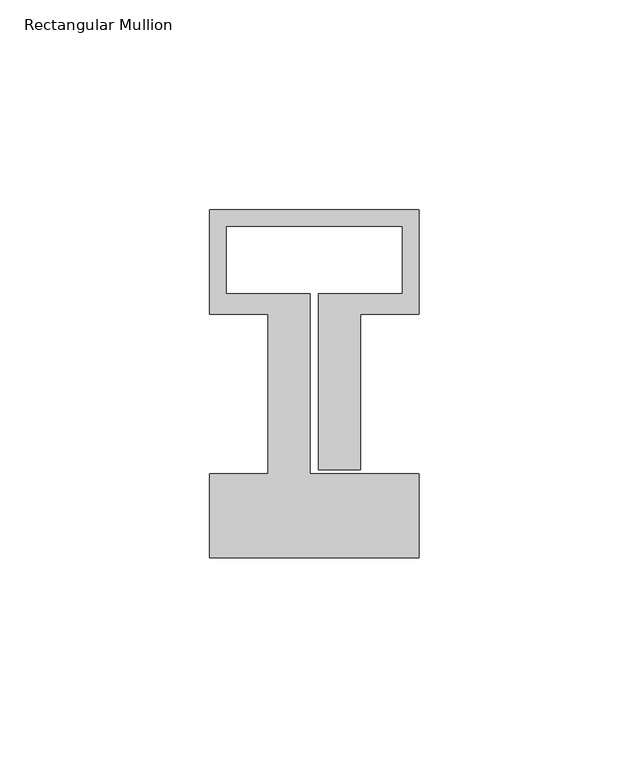
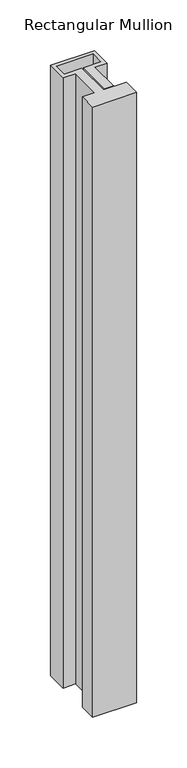
"""IFC4 building model written with IfcOpenShell, lengths in millimetres: member geometry, Rectangular Mullion."""

import ifcopenshell
import ifcopenshell.guid

model = None  # the IFC model being written
_history = None  # IfcOwnerHistory: only IFC2X3 demands one
_inside = {}  # id of a spatial element -> (the spatial element, [elements in it])
_under = {}  # id of a project, library or spatial element -> (it, [spatial elements below it])
_declared = {}  # id of a project -> (the project, [libraries it declares])
_typed = {}  # id of a type object -> (the type object, [elements of that type])
_made_of = {}  # id of a material, layer set ... -> (it, [elements and type objects made of it])


def new_model(schema):
    """Start an empty IFC model of exactly this schema.

    Asked for "IFC4X3", IfcOpenShell would pick the latest addendum, in which some entities
    have other attributes; the version numbers below select the first issue.
    IFC2X3 requires an IfcOwnerHistory on every rooted entity: one is made here for all.
    """
    global model, _history
    if schema == "IFC4X3":
        model = ifcopenshell.file(schema_version=(4, 3, 0, 0))
    else:
        model = ifcopenshell.file(schema=schema)
    _inside.clear()
    _under.clear()
    _declared.clear()
    _typed.clear()
    _made_of.clear()
    _history = None
    if model.schema == "IFC2X3":
        org = make("IfcOrganization", Name="unknown")
        user = make(
            "IfcPersonAndOrganization",
            ThePerson=make("IfcPerson", FamilyName="unknown"),
            TheOrganization=org,
        )
        app = make(
            "IfcApplication",
            ApplicationDeveloper=org,
            Version="unknown",
            ApplicationFullName="unknown",
            ApplicationIdentifier="unknown",
        )
        _history = make(
            "IfcOwnerHistory",
            OwningUser=user,
            OwningApplication=app,
            ChangeAction="ADDED",
            CreationDate=0,
        )
    return model


def make(cls, **values):
    """One entity of the class cls with the attributes given. An attribute that is None is left unset."""
    return model.create_entity(
        cls, **{name: value for name, value in values.items() if value is not None}
    )


def rooted(cls, **values):
    """An entity with a GlobalId (a new one), such as an element, a storey or a relation."""
    return make(cls, GlobalId=ifcopenshell.guid.new(), OwnerHistory=_history, **values)


def si_unit(unit_type, name, prefix=None):
    """IfcSIUnit, for example si_unit("LENGTHUNIT", "METRE", prefix="MILLI")."""
    return make("IfcSIUnit", UnitType=unit_type, Prefix=prefix, Name=name)


def assignment(units):
    """IfcUnitAssignment: the units of a project."""
    return None if units is None else make("IfcUnitAssignment", Units=units)


def point(xyz):
    """IfcCartesianPoint."""
    return None if xyz is None else make("IfcCartesianPoint", Coordinates=xyz)


def direction(xyz):
    """IfcDirection."""
    return None if xyz is None else make("IfcDirection", DirectionRatios=xyz)


def frame(location, z_axis=None, x_axis=None):
    """IfcAxis2Placement3D, a coordinate frame: its origin and axes. An axis left out is left unset."""
    return make(
        "IfcAxis2Placement3D",
        Location=point(location),
        Axis=direction(z_axis),
        RefDirection=direction(x_axis),
    )


def origin():
    """The frame at (0, 0, 0) with its axes left unset."""
    return frame((0.0, 0.0, 0.0))


def place(relative_to, where):
    """IfcLocalPlacement: puts the frame where relative to a parent placement (None: the world)."""
    return make(
        "IfcLocalPlacement", PlacementRelTo=relative_to, RelativePlacement=where
    )


def context(
    kind, dimensions, precision=None, world=None, true_north=None, identifier=None
):
    """IfcGeometricRepresentationContext, for example the 3D "Model" context."""
    return make(
        "IfcGeometricRepresentationContext",
        ContextIdentifier=identifier,
        ContextType=kind,
        CoordinateSpaceDimension=dimensions,
        Precision=precision,
        WorldCoordinateSystem=world,
        TrueNorth=true_north,
    )


def project(units=None, contexts=None):
    """IfcProject with its units and contexts."""
    return rooted(
        "IfcProject",
        Name="project",
        RepresentationContexts=contexts,
        UnitsInContext=assignment(units),
    )


def spatial(cls, under=None, at=None, **own):
    """A site, building, storey or space (cls), placed at a placement, below another one or the project."""
    s = rooted(cls, ObjectPlacement=at, **own)
    if under is not None:
        _under.setdefault(under.id(), (under, []))[1].append(s)
    return s


def polyline(points):
    """IfcPolyline through the points."""
    return make("IfcPolyline", Points=[point(p) for p in points])


def outline(outer, holes=None, kind="AREA"):
    """IfcArbitraryClosedProfileDef: a profile drawn as a closed curve; with holes, ...WithVoids."""
    if holes is None:
        return make("IfcArbitraryClosedProfileDef", ProfileType=kind, OuterCurve=outer)
    return make(
        "IfcArbitraryProfileDefWithVoids",
        ProfileType=kind,
        OuterCurve=outer,
        InnerCurves=holes,
    )


def extrude(swept, where, along, depth):
    """IfcExtrudedAreaSolid: the profile swept, set in the frame where, extruded along a direction by depth."""
    return make(
        "IfcExtrudedAreaSolid",
        SweptArea=swept,
        Position=where,
        ExtrudedDirection=direction(along),
        Depth=depth,
    )


def shape(context_of_items, identifier, shape_type, items):
    """IfcShapeRepresentation: the items that make up one representation, for example the "Body"."""
    return make(
        "IfcShapeRepresentation",
        ContextOfItems=context_of_items,
        RepresentationIdentifier=identifier,
        RepresentationType=shape_type,
        Items=items,
    )


def source(mapping_origin, context_of_items, identifier, shape_type, items):
    """IfcRepresentationMap: a shape defined once, which mapped items show again and again."""
    return make(
        "IfcRepresentationMap",
        MappingOrigin=mapping_origin,
        MappedRepresentation=shape(context_of_items, identifier, shape_type, items),
    )


def transform(
    local_origin,
    x_axis=None,
    y_axis=None,
    z_axis=None,
    scale=None,
    scale2=None,
    scale3=None,
    uniform=True,
):
    """IfcCartesianTransformationOperator3D, or its non-uniform kind. x_axis, y_axis, z_axis: its Axis1, 2, 3."""
    if uniform:
        return make(
            "IfcCartesianTransformationOperator3D",
            Axis1=direction(x_axis),
            Axis2=direction(y_axis),
            LocalOrigin=point(local_origin),
            Scale=scale,
            Axis3=direction(z_axis),
        )
    return make(
        "IfcCartesianTransformationOperator3DnonUniform",
        Axis1=direction(x_axis),
        Axis2=direction(y_axis),
        LocalOrigin=point(local_origin),
        Scale=scale,
        Axis3=direction(z_axis),
        Scale2=scale2,
        Scale3=scale3,
    )


def mapped(mapping_source, mapping_target):
    """IfcMappedItem: shows the shape of a source again, moved by a transform."""
    return make(
        "IfcMappedItem", MappingSource=mapping_source, MappingTarget=mapping_target
    )


def made_of(thing, what):
    """Note that an element or type object is made of a material, layer set ...; save() writes the relation."""
    if what is not None:
        _made_of.setdefault(what.id(), (what, []))[1].append(thing)
    return thing


def element(
    cls,
    number,
    at=None,
    inside=None,
    cuts=None,
    type_object=None,
    material=None,
    context=None,
    identifier="Body",
    shape_type=None,
    held_by="IfcProductDefinitionShape",
    body=None,
    shapes=None,
    **own,
):
    """One element of the class cls, such as IfcWall. Its Tag is "e" and its number.

    at: its placement. inside: the storey or other place that contains it. cuts: it is an
    opening in that element (IfcRelVoidsElement). A single representation is given by context,
    identifier, shape_type and body (its items); several are given by shapes. held_by: the class
    of the entity that holds the representations. save() writes the other relations.
    """
    e = rooted(cls, Tag="e%d" % number, ObjectPlacement=at, **own)
    if body is not None:
        shapes = [shape(context, identifier, shape_type, body)]
    if shapes is not None:
        e.Representation = make(held_by, Representations=shapes)
    if inside is not None:
        _inside.setdefault(inside.id(), (inside, []))[1].append(e)
    if cuts is not None:
        rooted(
            "IfcRelVoidsElement", RelatingBuildingElement=cuts, RelatedOpeningElement=e
        )
    if type_object is not None:
        _typed.setdefault(type_object.id(), (type_object, []))[1].append(e)
    return made_of(e, material)


def aggregate(whole, parts):
    """IfcRelAggregates: a whole, such as a stair, and the parts it consists of."""
    return rooted("IfcRelAggregates", RelatingObject=whole, RelatedObjects=parts)


def save(model, path):
    """Write the relations noted so far, then the file.

    IfcRelAggregates (storeys below a building ...), IfcRelContainedInSpatialStructure (elements
    in a storey), IfcRelDefinesByType, IfcRelAssociatesMaterial and IfcRelDeclares: one each for
    every whole, place, type object, material and project.
    """
    for whole, parts in _under.values():
        aggregate(whole, parts)
    for where, things in _inside.values():
        rooted(
            "IfcRelContainedInSpatialStructure",
            RelatedElements=things,
            RelatingStructure=where,
        )
    for kind, things in _typed.values():
        rooted("IfcRelDefinesByType", RelatedObjects=things, RelatingType=kind)
    for what, things in _made_of.values():
        rooted("IfcRelAssociatesMaterial", RelatedObjects=things, RelatingMaterial=what)
    for by, libraries in _declared.values():
        rooted("IfcRelDeclares", RelatingContext=by, RelatedDefinitions=libraries)
    model.write(path)


def rectangular_mullion_0782e874(model_context):
    return source(origin(), model_context, "Body", "SweptSolid", [
        extrude(outline(polyline([(-50.0, -58.0), (-50.0, -38.0), (-36.0, -38.0), (-36.0, 0.1), (-50.0, 0.1), (-50.0, 25.0), (0.0, 25.0), (0.0, 0.1), (-14.0, 0.1), (-14.0, -37.0), (-24.0, -37.0), (-24.0, 5.0), (-4.0, 5.0), (-4.0, 21.0), (-46.0, 21.0), (-46.0, 5.0), (-26.0, 5.0), (-26.0, -38.0), (0.0, -38.0), (0.0, -58.0), (-50.0, -58.0)])), frame((0.0, 0.0, -735.0), z_axis=(0.0, 0.0, 1.0), x_axis=(1.0, 0.0, 0.0)), (0.0, 0.0, 1.0), 735.0),
    ])


if __name__ == "__main__":
    model = new_model("IFC4")
    model_context = context("Model", 3, world=origin())
    ifc_project = project(units=[si_unit("LENGTHUNIT", "METRE", prefix="MILLI")], contexts=[model_context])
    site = spatial("IfcSite", under=ifc_project)
    building = spatial("IfcBuilding", under=site)
    placement = place(None, origin())
    rectangular_mullion_shape = rectangular_mullion_0782e874(model_context)
    element("IfcMember", 1, ObjectType="Rectangular Mullion", at=placement, inside=building, context=model_context, shape_type="MappedRepresentation", body=[
        mapped(rectangular_mullion_shape, transform((0.0, 0.0, 0.0), x_axis=(1.0, 0.0, 0.0), y_axis=(0.0, 1.0, 0.0), z_axis=(0.0, 0.0, 1.0))),
    ])
    save(model, "model.ifc")
